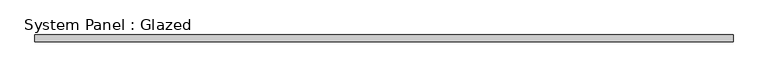
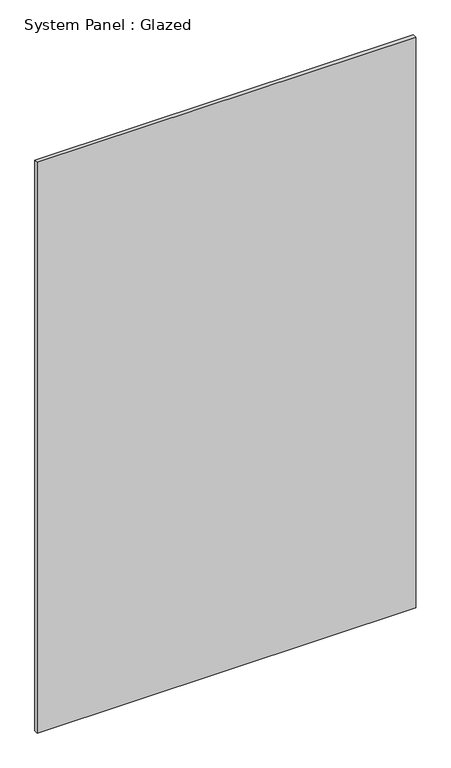
"""IFC4 building model written with IfcOpenShell, lengths in millimetres: plate geometry, System Panel : Glazed."""

from ifc_helpers import new_model, si_unit, origin, origin_with_axes, place, context, project, spatial, polyline, outline, extrude, source, transform, mapped, element, save


def system_panel_glazed_3cdec05c(model_context):
    return source(origin(), model_context, "Body", "SweptSolid", [
        extrude(outline(polyline([(1250.0, -49.5), (-1250.0, -49.5), (-1250.0, -24.5), (1250.0, -24.5), (1250.0, -49.5)])), origin_with_axes(), (0.0, 0.0, 1.0), 3985.0),
    ])


if __name__ == "__main__":
    model = new_model("IFC4")
    model_context = context("Model", 3, world=origin())
    ifc_project = project(units=[si_unit("LENGTHUNIT", "METRE", prefix="MILLI")], contexts=[model_context])
    site = spatial("IfcSite", under=ifc_project)
    building = spatial("IfcBuilding", under=site)
    placement = place(None, origin())
    system_panel_glazed_shape = system_panel_glazed_3cdec05c(model_context)
    element("IfcPlate", 1, ObjectType="System Panel : Glazed", at=placement, inside=building, context=model_context, shape_type="MappedRepresentation", body=[
        mapped(system_panel_glazed_shape, transform((0.0, 0.0, 0.0), x_axis=(1.0, 0.0, 0.0), y_axis=(0.0, 1.0, 0.0), z_axis=(0.0, 0.0, 1.0))),
    ])
    save(model, "model.ifc")
